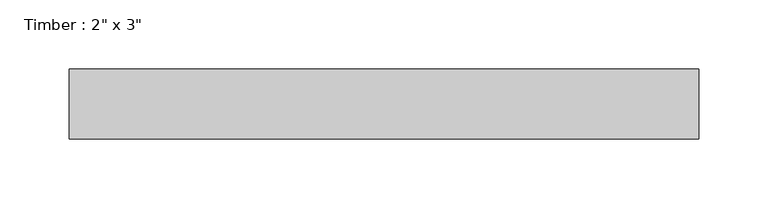
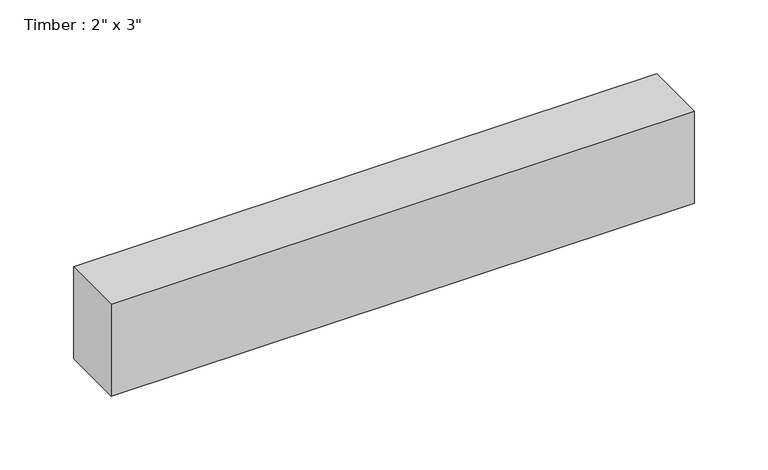
"""IFC4 building model written with IfcOpenShell, lengths in millimetres: beam geometry."""

from ifc_helpers import new_model, si_unit, frame, origin, place, context, project, spatial, polyline, outline, extrude, source, transform, mapped, element, save


def beam_47878e48(model_context):
    return source(origin(), model_context, "Body", "SweptSolid", [
        extrude(outline(polyline([(228.0883142, -25.4), (-228.0883142, -25.4), (-228.0883142, 25.4), (228.0883142, 25.4), (228.0883142, -25.4)])), frame((0.0, 0.0, -38.1), z_axis=(0.0, 0.0, 1.0), x_axis=(1.0, 0.0, 0.0)), (0.0, 0.0, 1.0), 76.2),
    ])


if __name__ == "__main__":
    model = new_model("IFC4")
    model_context = context("Model", 3, world=origin())
    ifc_project = project(units=[si_unit("LENGTHUNIT", "METRE", prefix="MILLI")], contexts=[model_context])
    site = spatial("IfcSite", under=ifc_project)
    building = spatial("IfcBuilding", under=site)
    placement = place(None, origin())
    beam_shape = beam_47878e48(model_context)
    element("IfcBeam", 1, ObjectType="Timber : 2\" x 3\"", at=placement, inside=building, context=model_context, shape_type="MappedRepresentation", body=[
        mapped(beam_shape, transform((0.0, 0.0, 0.0), x_axis=(1.0, 0.0, 0.0), y_axis=(0.0, 1.0, 0.0), z_axis=(0.0, 0.0, 1.0))),
    ])
    save(model, "model.ifc")
